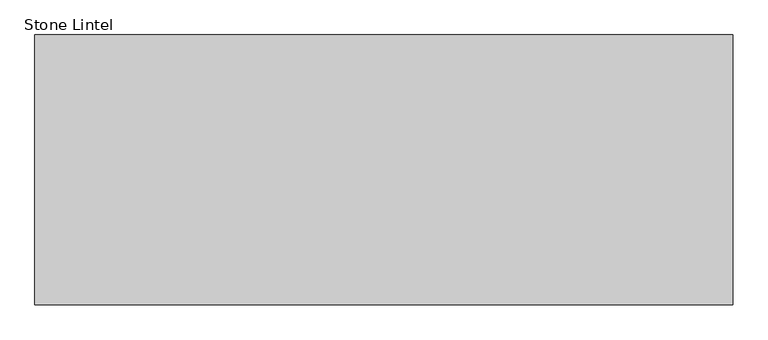
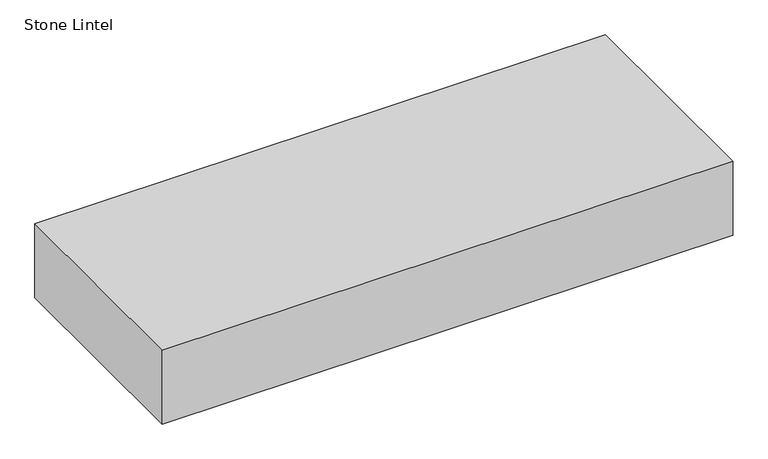
"""IFC4 building model written with IfcOpenShell, lengths in millimetres: proxy geometry, Stone Lintel."""

import ifcopenshell
import ifcopenshell.guid

model = None  # the IFC model being written
_history = None  # IfcOwnerHistory: only IFC2X3 demands one
_inside = {}  # id of a spatial element -> (the spatial element, [elements in it])
_under = {}  # id of a project, library or spatial element -> (it, [spatial elements below it])
_declared = {}  # id of a project -> (the project, [libraries it declares])
_typed = {}  # id of a type object -> (the type object, [elements of that type])
_made_of = {}  # id of a material, layer set ... -> (it, [elements and type objects made of it])


def new_model(schema):
    """Start an empty IFC model of exactly this schema.

    Asked for "IFC4X3", IfcOpenShell would pick the latest addendum, in which some entities
    have other attributes; the version numbers below select the first issue.
    IFC2X3 requires an IfcOwnerHistory on every rooted entity: one is made here for all.
    """
    global model, _history
    if schema == "IFC4X3":
        model = ifcopenshell.file(schema_version=(4, 3, 0, 0))
    else:
        model = ifcopenshell.file(schema=schema)
    _inside.clear()
    _under.clear()
    _declared.clear()
    _typed.clear()
    _made_of.clear()
    _history = None
    if model.schema == "IFC2X3":
        org = make("IfcOrganization", Name="unknown")
        user = make(
            "IfcPersonAndOrganization",
            ThePerson=make("IfcPerson", FamilyName="unknown"),
            TheOrganization=org,
        )
        app = make(
            "IfcApplication",
            ApplicationDeveloper=org,
            Version="unknown",
            ApplicationFullName="unknown",
            ApplicationIdentifier="unknown",
        )
        _history = make(
            "IfcOwnerHistory",
            OwningUser=user,
            OwningApplication=app,
            ChangeAction="ADDED",
            CreationDate=0,
        )
    return model


def make(cls, **values):
    """One entity of the class cls with the attributes given. An attribute that is None is left unset."""
    return model.create_entity(
        cls, **{name: value for name, value in values.items() if value is not None}
    )


def rooted(cls, **values):
    """An entity with a GlobalId (a new one), such as an element, a storey or a relation."""
    return make(cls, GlobalId=ifcopenshell.guid.new(), OwnerHistory=_history, **values)


def si_unit(unit_type, name, prefix=None):
    """IfcSIUnit, for example si_unit("LENGTHUNIT", "METRE", prefix="MILLI")."""
    return make("IfcSIUnit", UnitType=unit_type, Prefix=prefix, Name=name)


def assignment(units):
    """IfcUnitAssignment: the units of a project."""
    return None if units is None else make("IfcUnitAssignment", Units=units)


def point(xyz):
    """IfcCartesianPoint."""
    return None if xyz is None else make("IfcCartesianPoint", Coordinates=xyz)


def direction(xyz):
    """IfcDirection."""
    return None if xyz is None else make("IfcDirection", DirectionRatios=xyz)


def frame(location, z_axis=None, x_axis=None):
    """IfcAxis2Placement3D, a coordinate frame: its origin and axes. An axis left out is left unset."""
    return make(
        "IfcAxis2Placement3D",
        Location=point(location),
        Axis=direction(z_axis),
        RefDirection=direction(x_axis),
    )


def origin():
    """The frame at (0, 0, 0) with its axes left unset."""
    return frame((0.0, 0.0, 0.0))


def origin_with_axes():
    """The frame at (0, 0, 0) with the z axis (0, 0, 1) and the x axis (1, 0, 0) written out."""
    return frame((0.0, 0.0, 0.0), z_axis=(0.0, 0.0, 1.0), x_axis=(1.0, 0.0, 0.0))


def place(relative_to, where):
    """IfcLocalPlacement: puts the frame where relative to a parent placement (None: the world)."""
    return make(
        "IfcLocalPlacement", PlacementRelTo=relative_to, RelativePlacement=where
    )


def context(
    kind, dimensions, precision=None, world=None, true_north=None, identifier=None
):
    """IfcGeometricRepresentationContext, for example the 3D "Model" context."""
    return make(
        "IfcGeometricRepresentationContext",
        ContextIdentifier=identifier,
        ContextType=kind,
        CoordinateSpaceDimension=dimensions,
        Precision=precision,
        WorldCoordinateSystem=world,
        TrueNorth=true_north,
    )


def project(units=None, contexts=None):
    """IfcProject with its units and contexts."""
    return rooted(
        "IfcProject",
        Name="project",
        RepresentationContexts=contexts,
        UnitsInContext=assignment(units),
    )


def spatial(cls, under=None, at=None, **own):
    """A site, building, storey or space (cls), placed at a placement, below another one or the project."""
    s = rooted(cls, ObjectPlacement=at, **own)
    if under is not None:
        _under.setdefault(under.id(), (under, []))[1].append(s)
    return s


def polyline(points):
    """IfcPolyline through the points."""
    return make("IfcPolyline", Points=[point(p) for p in points])


def outline(outer, holes=None, kind="AREA"):
    """IfcArbitraryClosedProfileDef: a profile drawn as a closed curve; with holes, ...WithVoids."""
    if holes is None:
        return make("IfcArbitraryClosedProfileDef", ProfileType=kind, OuterCurve=outer)
    return make(
        "IfcArbitraryProfileDefWithVoids",
        ProfileType=kind,
        OuterCurve=outer,
        InnerCurves=holes,
    )


def extrude(swept, where, along, depth):
    """IfcExtrudedAreaSolid: the profile swept, set in the frame where, extruded along a direction by depth."""
    return make(
        "IfcExtrudedAreaSolid",
        SweptArea=swept,
        Position=where,
        ExtrudedDirection=direction(along),
        Depth=depth,
    )


def shape(context_of_items, identifier, shape_type, items):
    """IfcShapeRepresentation: the items that make up one representation, for example the "Body"."""
    return make(
        "IfcShapeRepresentation",
        ContextOfItems=context_of_items,
        RepresentationIdentifier=identifier,
        RepresentationType=shape_type,
        Items=items,
    )


def source(mapping_origin, context_of_items, identifier, shape_type, items):
    """IfcRepresentationMap: a shape defined once, which mapped items show again and again."""
    return make(
        "IfcRepresentationMap",
        MappingOrigin=mapping_origin,
        MappedRepresentation=shape(context_of_items, identifier, shape_type, items),
    )


def transform(
    local_origin,
    x_axis=None,
    y_axis=None,
    z_axis=None,
    scale=None,
    scale2=None,
    scale3=None,
    uniform=True,
):
    """IfcCartesianTransformationOperator3D, or its non-uniform kind. x_axis, y_axis, z_axis: its Axis1, 2, 3."""
    if uniform:
        return make(
            "IfcCartesianTransformationOperator3D",
            Axis1=direction(x_axis),
            Axis2=direction(y_axis),
            LocalOrigin=point(local_origin),
            Scale=scale,
            Axis3=direction(z_axis),
        )
    return make(
        "IfcCartesianTransformationOperator3DnonUniform",
        Axis1=direction(x_axis),
        Axis2=direction(y_axis),
        LocalOrigin=point(local_origin),
        Scale=scale,
        Axis3=direction(z_axis),
        Scale2=scale2,
        Scale3=scale3,
    )


def mapped(mapping_source, mapping_target):
    """IfcMappedItem: shows the shape of a source again, moved by a transform."""
    return make(
        "IfcMappedItem", MappingSource=mapping_source, MappingTarget=mapping_target
    )


def made_of(thing, what):
    """Note that an element or type object is made of a material, layer set ...; save() writes the relation."""
    if what is not None:
        _made_of.setdefault(what.id(), (what, []))[1].append(thing)
    return thing


def element(
    cls,
    number,
    at=None,
    inside=None,
    cuts=None,
    type_object=None,
    material=None,
    context=None,
    identifier="Body",
    shape_type=None,
    held_by="IfcProductDefinitionShape",
    body=None,
    shapes=None,
    **own,
):
    """One element of the class cls, such as IfcWall. Its Tag is "e" and its number.

    at: its placement. inside: the storey or other place that contains it. cuts: it is an
    opening in that element (IfcRelVoidsElement). A single representation is given by context,
    identifier, shape_type and body (its items); several are given by shapes. held_by: the class
    of the entity that holds the representations. save() writes the other relations.
    """
    e = rooted(cls, Tag="e%d" % number, ObjectPlacement=at, **own)
    if body is not None:
        shapes = [shape(context, identifier, shape_type, body)]
    if shapes is not None:
        e.Representation = make(held_by, Representations=shapes)
    if inside is not None:
        _inside.setdefault(inside.id(), (inside, []))[1].append(e)
    if cuts is not None:
        rooted(
            "IfcRelVoidsElement", RelatingBuildingElement=cuts, RelatedOpeningElement=e
        )
    if type_object is not None:
        _typed.setdefault(type_object.id(), (type_object, []))[1].append(e)
    return made_of(e, material)


def aggregate(whole, parts):
    """IfcRelAggregates: a whole, such as a stair, and the parts it consists of."""
    return rooted("IfcRelAggregates", RelatingObject=whole, RelatedObjects=parts)


def save(model, path):
    """Write the relations noted so far, then the file.

    IfcRelAggregates (storeys below a building ...), IfcRelContainedInSpatialStructure (elements
    in a storey), IfcRelDefinesByType, IfcRelAssociatesMaterial and IfcRelDeclares: one each for
    every whole, place, type object, material and project.
    """
    for whole, parts in _under.values():
        aggregate(whole, parts)
    for where, things in _inside.values():
        rooted(
            "IfcRelContainedInSpatialStructure",
            RelatedElements=things,
            RelatingStructure=where,
        )
    for kind, things in _typed.values():
        rooted("IfcRelDefinesByType", RelatedObjects=things, RelatingType=kind)
    for what, things in _made_of.values():
        rooted("IfcRelAssociatesMaterial", RelatedObjects=things, RelatingMaterial=what)
    for by, libraries in _declared.values():
        rooted("IfcRelDeclares", RelatingContext=by, RelatedDefinitions=libraries)
    model.write(path)


def stone_lintel_5a80a18d(model_context):
    return source(origin(), model_context, "Body", "SweptSolid", [
        extrude(outline(polyline([(-558.8, -217.4875), (-558.8, 214.3125), (558.8, 214.3125), (558.8, -217.4875), (-558.8, -217.4875)])), origin_with_axes(), (0.0, 0.0, 1.0), 152.4),
    ])


if __name__ == "__main__":
    model = new_model("IFC4")
    model_context = context("Model", 3, world=origin())
    ifc_project = project(units=[si_unit("LENGTHUNIT", "METRE", prefix="MILLI")], contexts=[model_context])
    site = spatial("IfcSite", under=ifc_project)
    building = spatial("IfcBuilding", under=site)
    placement = place(None, origin())
    stone_lintel_shape = stone_lintel_5a80a18d(model_context)
    element("IfcBuildingElementProxy", 1, Name="Stone Lintel", ObjectType="Stone Lintel", at=placement, inside=building, context=model_context, shape_type="MappedRepresentation", body=[
        mapped(stone_lintel_shape, transform((0.0, 0.0, 0.0), x_axis=(1.0, 0.0, 0.0), y_axis=(0.0, 1.0, 0.0), z_axis=(0.0, 0.0, 1.0))),
    ])
    save(model, "model.ifc")
